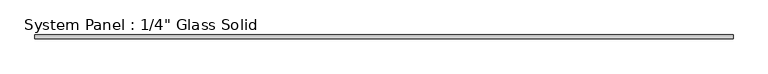
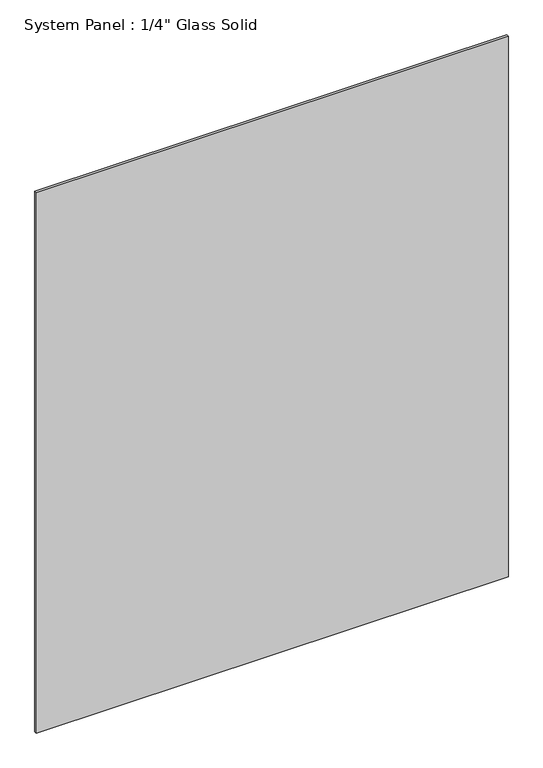
"""IFC4 building model written with IfcOpenShell, lengths in millimetres: plate geometry."""

from ifc_helpers import new_model, si_unit, origin, origin_with_axes, place, context, project, spatial, polyline, outline, extrude, source, transform, mapped, element, save


def plate_2b49ab73(model_context):
    return source(origin(), model_context, "Body", "SweptSolid", [
        extrude(outline(polyline([(584.2008852, -3.175), (-584.2008852, -3.175), (-584.2008852, 3.175), (584.2008852, 3.175), (584.2008852, -3.175)])), origin_with_axes(), (0.0, 0.0, 1.0), 1413.6241382),
    ])


if __name__ == "__main__":
    model = new_model("IFC4")
    model_context = context("Model", 3, world=origin())
    ifc_project = project(units=[si_unit("LENGTHUNIT", "METRE", prefix="MILLI")], contexts=[model_context])
    site = spatial("IfcSite", under=ifc_project)
    building = spatial("IfcBuilding", under=site)
    placement = place(None, origin())
    plate_shape = plate_2b49ab73(model_context)
    element("IfcPlate", 1, ObjectType="System Panel : 1/4\" Glass Solid", at=placement, inside=building, context=model_context, shape_type="MappedRepresentation", body=[
        mapped(plate_shape, transform((0.0, 0.0, 0.0), x_axis=(1.0, 0.0, 0.0), y_axis=(0.0, 1.0, 0.0), z_axis=(0.0, 0.0, 1.0))),
    ])
    save(model, "model.ifc")
